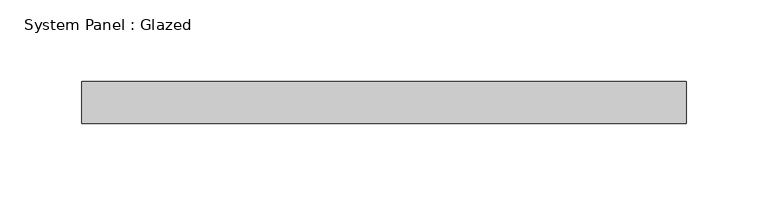
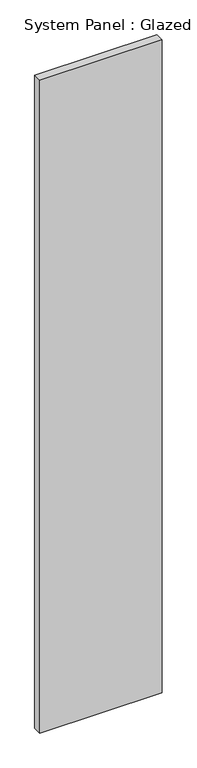
"""IFC4 building model written with IfcOpenShell, lengths in millimetres: plate geometry, System Panel : Glazed."""

from ifc_helpers import new_model, si_unit, origin, origin_with_axes, place, context, project, spatial, polyline, outline, extrude, source, transform, mapped, element, save


def system_panel_glazed_4a5f3fd3(model_context):
    return source(origin(), model_context, "Body", "SweptSolid", [
        extrude(outline(polyline([(184.15, -44.45), (-184.15, -44.45), (-184.15, -19.05), (184.15, -19.05), (184.15, -44.45)])), origin_with_axes(), (0.0, 0.0, 1.0), 2076.45),
    ])


if __name__ == "__main__":
    model = new_model("IFC4")
    model_context = context("Model", 3, world=origin())
    ifc_project = project(units=[si_unit("LENGTHUNIT", "METRE", prefix="MILLI")], contexts=[model_context])
    site = spatial("IfcSite", under=ifc_project)
    building = spatial("IfcBuilding", under=site)
    placement = place(None, origin())
    system_panel_glazed_shape = system_panel_glazed_4a5f3fd3(model_context)
    element("IfcPlate", 1, ObjectType="System Panel : Glazed", at=placement, inside=building, context=model_context, shape_type="MappedRepresentation", body=[
        mapped(system_panel_glazed_shape, transform((0.0, 0.0, 0.0), x_axis=(1.0, 0.0, 0.0), y_axis=(0.0, 1.0, 0.0), z_axis=(0.0, 0.0, 1.0))),
    ])
    save(model, "model.ifc")
